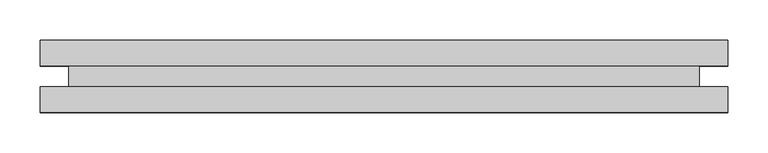
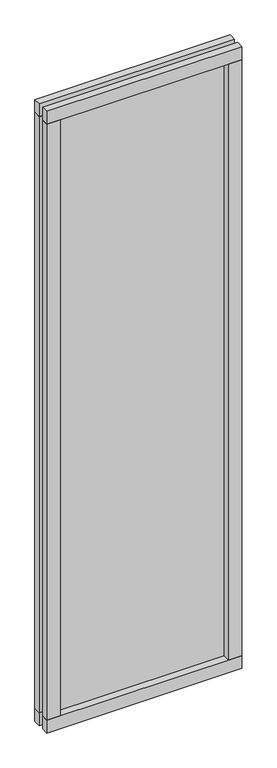
"""IFC4 building model written with IfcOpenShell, lengths in millimetres: plate geometry."""

from ifc_helpers import new_model, si_unit, frame, origin, origin_with_axes, place, context, project, spatial, polyline, outline, extrude, source, transform, mapped, element, save


def plate_24006c93(model_context):
    return source(origin(), model_context, "Body", "SweptSolid", [
        extrude(outline(polyline([(-428.3847577, 45.0), (-368.3847577, 45.0), (-368.3847577, 13.0), (-428.3847577, 13.0), (-428.3847577, 45.0)])), frame((0.0, 0.0, 60.0), z_axis=(0.0, 0.0, 1.0), x_axis=(1.0, 0.0, 0.0)), (0.0, 0.0, 1.0), 2765.0),
        extrude(outline(polyline([(-368.3847577, -13.0), (-368.3847577, -45.0), (-428.3847577, -45.0), (-428.3847577, -13.0), (-368.3847577, -13.0)])), frame((0.0, 0.0, 60.0), z_axis=(0.0, 0.0, 1.0), x_axis=(1.0, 0.0, 0.0)), (0.0, 0.0, 1.0), 2765.0),
        extrude(outline(polyline([(368.3847577, 45.0), (428.3847577, 45.0), (428.3847577, 13.0), (368.3847577, 13.0), (368.3847577, 45.0)])), frame((0.0, 0.0, 60.0), z_axis=(0.0, 0.0, 1.0), x_axis=(1.0, 0.0, 0.0)), (0.0, 0.0, 1.0), 2765.0),
        extrude(outline(polyline([(428.3847577, -45.0), (368.3847577, -45.0), (368.3847577, -13.0), (428.3847577, -13.0), (428.3847577, -45.0)])), frame((0.0, 0.0, 60.0), z_axis=(0.0, 0.0, 1.0), x_axis=(1.0, 0.0, 0.0)), (0.0, 0.0, 1.0), 2765.0),
        extrude(outline(polyline([(428.3847577, -13.0), (428.3847577, -45.0), (-428.3847577, -45.0), (-428.3847577, -13.0), (428.3847577, -13.0)])), origin_with_axes(), (0.0, 0.0, 1.0), 60.0),
        extrude(outline(polyline([(428.3847577, 45.0), (428.3847577, 13.0), (-428.3847577, 13.0), (-428.3847577, 45.0), (428.3847577, 45.0)])), origin_with_axes(), (0.0, 0.0, 1.0), 60.0),
        extrude(outline(polyline([(428.3847577, -13.0), (428.3847577, -45.0), (-428.3847577, -45.0), (-428.3847577, -13.0), (428.3847577, -13.0)])), frame((0.0, 0.0, 2825.0), z_axis=(0.0, 0.0, 1.0), x_axis=(1.0, 0.0, 0.0)), (0.0, 0.0, 1.0), 60.0),
        extrude(outline(polyline([(428.3847577, 45.0), (428.3847577, 13.0), (-428.3847577, 13.0), (-428.3847577, 45.0), (428.3847577, 45.0)])), frame((0.0, 0.0, 2825.0), z_axis=(0.0, 0.0, 1.0), x_axis=(1.0, 0.0, 0.0)), (0.0, 0.0, 1.0), 60.0),
        extrude(outline(polyline([(392.8847577, -13.0), (-392.8847577, -13.0), (-392.8847577, 13.0), (392.8847577, 13.0), (392.8847577, -13.0)])), frame((0.0, 0.0, 28.0), z_axis=(0.0, 0.0, 1.0), x_axis=(1.0, 0.0, 0.0)), (0.0, 0.0, 1.0), 2829.0),
    ])


if __name__ == "__main__":
    model = new_model("IFC4")
    model_context = context("Model", 3, world=origin())
    ifc_project = project(units=[si_unit("LENGTHUNIT", "METRE", prefix="MILLI")], contexts=[model_context])
    site = spatial("IfcSite", under=ifc_project)
    building = spatial("IfcBuilding", under=site)
    placement = place(None, origin())
    plate_shape = plate_24006c93(model_context)
    element("IfcPlate", 1, at=placement, inside=building, context=model_context, shape_type="MappedRepresentation", body=[
        mapped(plate_shape, transform((0.0, 0.0, 0.0), x_axis=(1.0, 0.0, 0.0), y_axis=(0.0, 1.0, 0.0), z_axis=(0.0, 0.0, 1.0))),
    ])
    save(model, "model.ifc")
